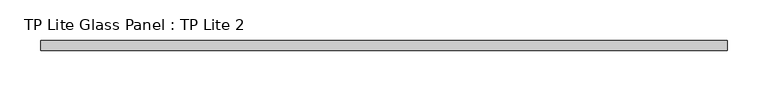
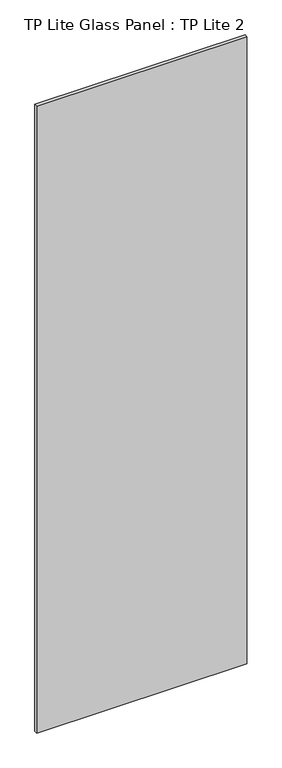
"""IFC4 building model written with IfcOpenShell, lengths in millimetres: plate geometry, TP Lite Glass Panel : TP Lite 2."""

from ifc_helpers import new_model, si_unit, origin, origin_with_axes, place, context, project, spatial, polyline, outline, extrude, source, transform, mapped, element, save


def tp_lite_glass_panel_tp_lite_2_9e9869d5(model_context):
    return source(origin(), model_context, "Body", "SweptSolid", [
        extrude(outline(polyline([(418.5, 6.0), (418.5, -6.0), (-418.5, -6.0), (-418.5, 6.0), (418.5, 6.0)])), origin_with_axes(), (0.0, 0.0, 1.0), 2640.0000015),
    ])


if __name__ == "__main__":
    model = new_model("IFC4")
    model_context = context("Model", 3, world=origin())
    ifc_project = project(units=[si_unit("LENGTHUNIT", "METRE", prefix="MILLI")], contexts=[model_context])
    site = spatial("IfcSite", under=ifc_project)
    building = spatial("IfcBuilding", under=site)
    placement = place(None, origin())
    tp_lite_glass_panel_tp_lite_2_shape = tp_lite_glass_panel_tp_lite_2_9e9869d5(model_context)
    element("IfcPlate", 1, ObjectType="TP Lite Glass Panel : TP Lite 2", at=placement, inside=building, context=model_context, shape_type="MappedRepresentation", body=[
        mapped(tp_lite_glass_panel_tp_lite_2_shape, transform((0.0, 0.0, 0.0), x_axis=(1.0, 0.0, 0.0), y_axis=(0.0, 1.0, 0.0), z_axis=(0.0, 0.0, 1.0))),
    ])
    save(model, "model.ifc")
